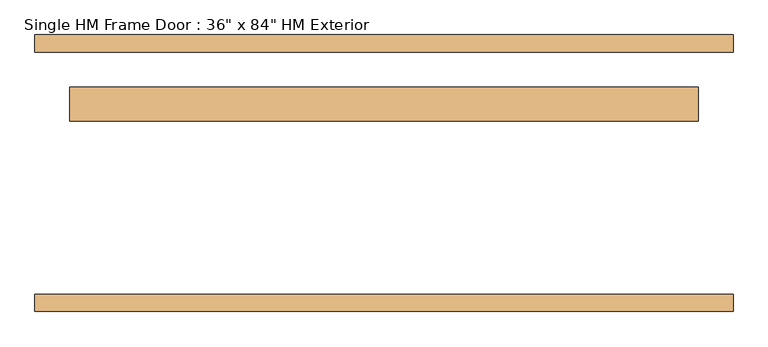
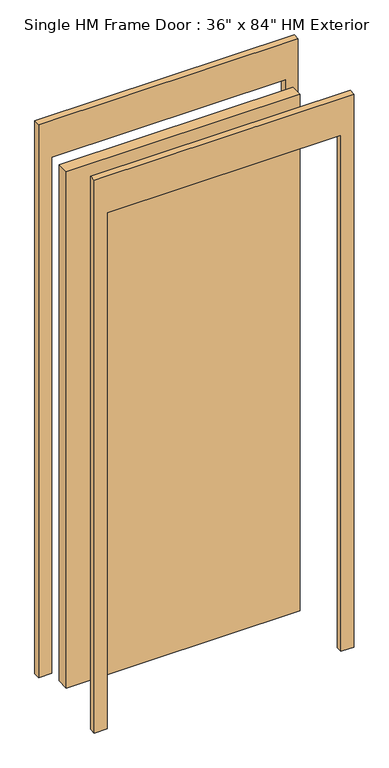
"""IFC4 building model written with IfcOpenShell, lengths in millimetres: door geometry."""

from ifc_helpers import new_model, si_unit, frame, origin, origin_with_axes, place, context, project, spatial, polyline, outline, extrude, source, transform, mapped, element, save


def door_5a8bc83c(model_context):
    return source(origin(), model_context, "Body", "SweptSolid", [
        extrude(outline(polyline([(2286.0, -508.0), (0.0, -508.0), (0.0, -457.2), (2133.6, -457.2), (2133.6, 457.2), (0.0, 457.2), (0.0, 508.0), (2286.0, 508.0), (2286.0, -508.0)])), frame((0.0, 176.2125, 0.0), z_axis=(0.0, 1.0, 0.0), x_axis=(0.0, 0.0, 1.0)), (0.0, 0.0, 1.0), 25.4),
        extrude(outline(polyline([(2286.0, 508.0), (2286.0, -508.0), (0.0, -508.0), (0.0, -457.2), (2133.6, -457.2), (2133.6, 457.2), (0.0, 457.2), (0.0, 508.0), (2286.0, 508.0)])), frame((0.0, -201.6125, 0.0), z_axis=(0.0, 1.0, 0.0), x_axis=(0.0, 0.0, 1.0)), (0.0, 0.0, 1.0), 25.4),
        extrude(outline(polyline([(457.2, 76.2), (-457.2, 76.2), (-457.2, 125.4125), (457.2, 125.4125), (457.2, 76.2)])), origin_with_axes(), (0.0, 0.0, 1.0), 2133.6),
    ])


if __name__ == "__main__":
    model = new_model("IFC4")
    model_context = context("Model", 3, world=origin())
    ifc_project = project(units=[si_unit("LENGTHUNIT", "METRE", prefix="MILLI")], contexts=[model_context])
    site = spatial("IfcSite", under=ifc_project)
    building = spatial("IfcBuilding", under=site)
    placement = place(None, origin())
    door_shape = door_5a8bc83c(model_context)
    element("IfcDoor", 1, ObjectType="Single HM Frame Door : 36\" x 84\" HM Exterior", at=placement, inside=building, context=model_context, shape_type="MappedRepresentation", body=[
        mapped(door_shape, transform((0.0, 0.0, 0.0), x_axis=(1.0, 0.0, 0.0), y_axis=(0.0, 1.0, 0.0), z_axis=(0.0, 0.0, 1.0))),
    ])
    save(model, "model.ifc")
